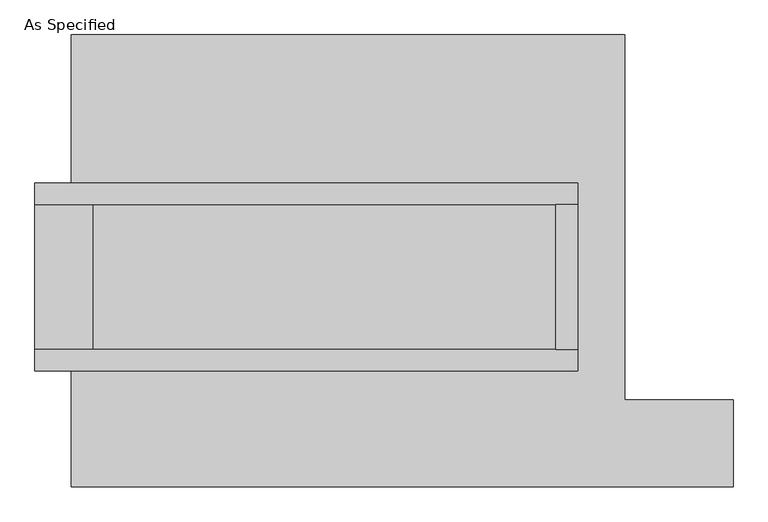
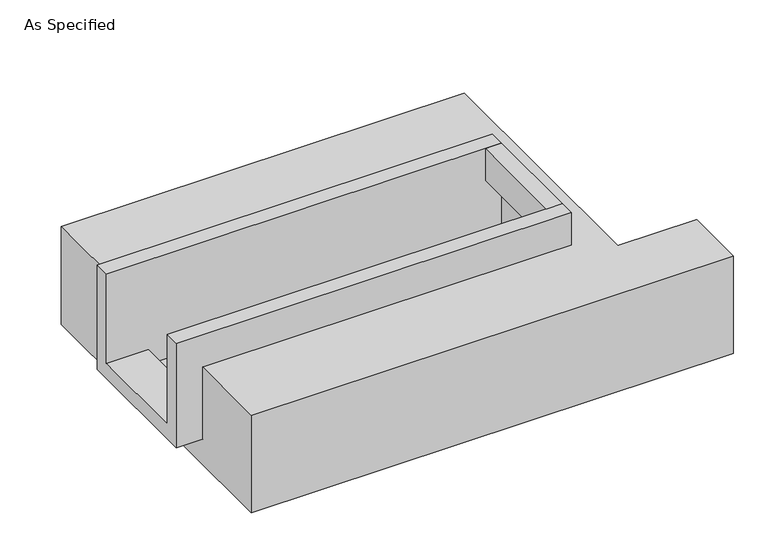
"""IFC4 building model written with IfcOpenShell, lengths in millimetres: proxy geometry, As Specified."""

from ifc_helpers import new_model, si_unit, frame, origin, place, context, project, spatial, polyline, outline, extrude, faceted_brep, source, transform, mapped, element, save


def as_specified_10357ecc(model_context):
    return source(origin(), model_context, "Body", "SolidModel", [
        extrude(outline(polyline([(730.25, 196.85), (806.45, 196.85), (806.45, -311.15), (730.25, -311.15), (730.25, 196.85)])), frame((0.0, 0.0, -25.4), z_axis=(0.0, 0.0, 1.0), x_axis=(1.0, 0.0, 0.0)), (0.0, 0.0, 1.0), 165.1),
        faceted_brep([(806.45, 196.85, 139.7), (806.45, 196.85, -317.5), (806.45, -311.15, -317.5), (806.45, -311.15, 139.7), (806.45, -387.35, 139.7), (806.45, -387.35, -393.7), (806.45, 273.05, -393.7), (806.45, 273.05, 139.7), (-1098.55, 196.85, 139.7), (-1098.55, 273.05, 139.7), (-1098.55, 273.05, -393.7), (-1098.55, -387.35, -393.7), (-1098.55, -387.35, 139.7), (-1098.55, -311.15, 139.7), (-1098.55, -311.15, -317.5), (-1098.55, 196.85, -317.5), (-895.35, 196.85, -393.7), (-895.35, -311.15, -393.7), (730.25, -311.15, -393.7), (730.25, 196.85, -393.7), (730.25, -311.15, -317.5), (-895.35, -311.15, -317.5), (730.25, 196.85, -317.5), (-895.35, 196.85, -317.5)], [[[0, 1, 2, 3, 4, 5, 6, 7]], [[8, 9, 10, 11, 12, 13, 14, 15]], [[0, 7, 9, 8]], [[7, 6, 10, 9]], [[6, 5, 11, 10], [16, 17, 18, 19]], [[4, 3, 13, 12]], [[3, 2, 20, 18, 17, 21, 14, 13]], [[2, 1, 22, 20]], [[15, 14, 21, 23]], [[1, 0, 8, 15, 23, 16, 19, 22]], [[21, 17, 16, 23]], [[18, 20, 22, 19]], [[5, 4, 12, 11]]]),
        faceted_brep([(-971.55, 793.75, -523.9742188), (971.55, 793.75, -523.9742188), (971.55, -488.95, -523.9742188), (1352.55, -488.95, -523.9742188), (1352.55, -793.75, -523.9742188), (-971.55, -793.75, -523.9742188), (971.55, 793.75, -25.4), (-971.55, 793.75, -25.4), (-971.55, 273.05, -25.4), (806.45, 273.05, -25.4), (806.45, -387.35, -25.4), (-971.55, -387.35, -25.4), (-971.55, -793.75, -25.4), (1352.55, -793.75, -25.4), (1352.55, -488.95, -25.4), (971.55, -488.95, -25.4), (-971.55, -387.35, -393.7), (-971.55, 273.05, -393.7), (806.45, 273.05, -393.7), (806.45, -387.35, -393.7)], [[[0, 1, 2, 3, 4, 5]], [[6, 7, 8, 9, 10, 11, 12, 13, 14, 15]], [[1, 0, 7, 6]], [[7, 0, 5, 12, 11, 16, 17, 8]], [[1, 6, 15, 2]], [[5, 4, 13, 12]], [[18, 19, 10, 9]], [[17, 18, 9, 8]], [[19, 18, 17, 16]], [[19, 16, 11, 10]], [[4, 3, 14, 13]], [[3, 2, 15, 14]]]),
    ])


if __name__ == "__main__":
    model = new_model("IFC4")
    model_context = context("Model", 3, world=origin())
    ifc_project = project(units=[si_unit("LENGTHUNIT", "METRE", prefix="MILLI")], contexts=[model_context])
    site = spatial("IfcSite", under=ifc_project)
    building = spatial("IfcBuilding", under=site)
    placement = place(None, origin())
    as_specified_shape = as_specified_10357ecc(model_context)
    element("IfcBuildingElementProxy", 1, Name="As Specified", ObjectType="As Specified", at=placement, inside=building, context=model_context, shape_type="MappedRepresentation", body=[
        mapped(as_specified_shape, transform((0.0, 0.0, 0.0), x_axis=(1.0, 0.0, 0.0), y_axis=(0.0, 1.0, 0.0), z_axis=(0.0, 0.0, 1.0))),
    ])
    save(model, "model.ifc")
